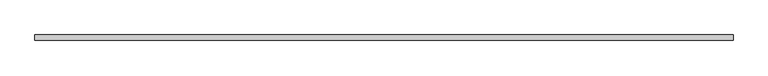
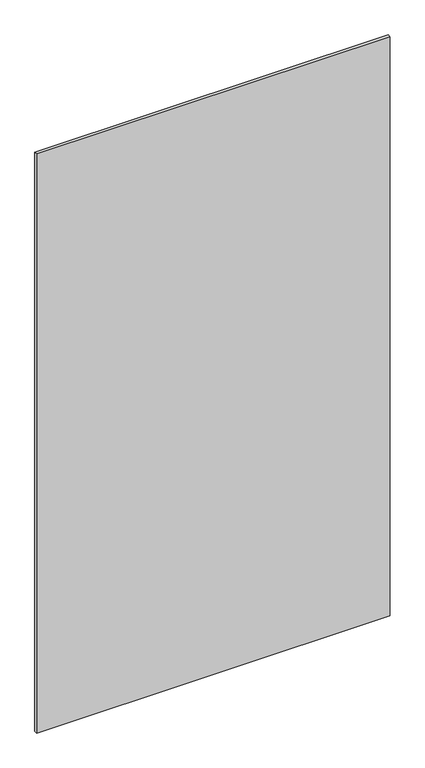
"""IFC4 building model written with IfcOpenShell, lengths in millimetres: plate geometry."""

from ifc_helpers import new_model, si_unit, origin, origin_with_axes, place, context, project, spatial, polyline, outline, extrude, source, transform, mapped, element, save


def plate_aa193909(model_context):
    return source(origin(), model_context, "Body", "SweptSolid", [
        extrude(outline(polyline([(625.0, -20.0), (625.0, -30.0), (-625.0, -30.0), (-625.0, -20.0), (625.0, -20.0)])), origin_with_axes(), (0.0, 0.0, 1.0), 2165.0),
    ])


if __name__ == "__main__":
    model = new_model("IFC4")
    model_context = context("Model", 3, world=origin())
    ifc_project = project(units=[si_unit("LENGTHUNIT", "METRE", prefix="MILLI")], contexts=[model_context])
    site = spatial("IfcSite", under=ifc_project)
    building = spatial("IfcBuilding", under=site)
    placement = place(None, origin())
    plate_shape = plate_aa193909(model_context)
    element("IfcPlate", 1, at=placement, inside=building, context=model_context, shape_type="MappedRepresentation", body=[
        mapped(plate_shape, transform((0.0, 0.0, 0.0), x_axis=(1.0, 0.0, 0.0), y_axis=(0.0, 1.0, 0.0), z_axis=(0.0, 0.0, 1.0))),
    ])
    save(model, "model.ifc")
